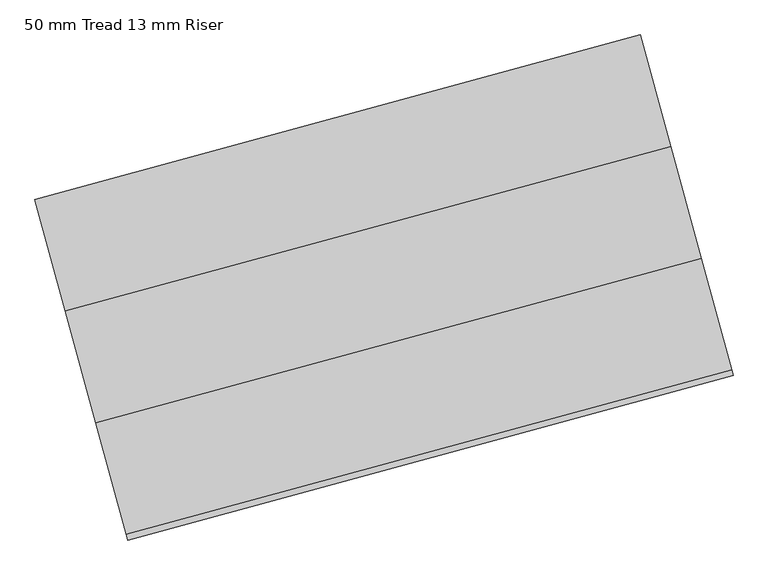
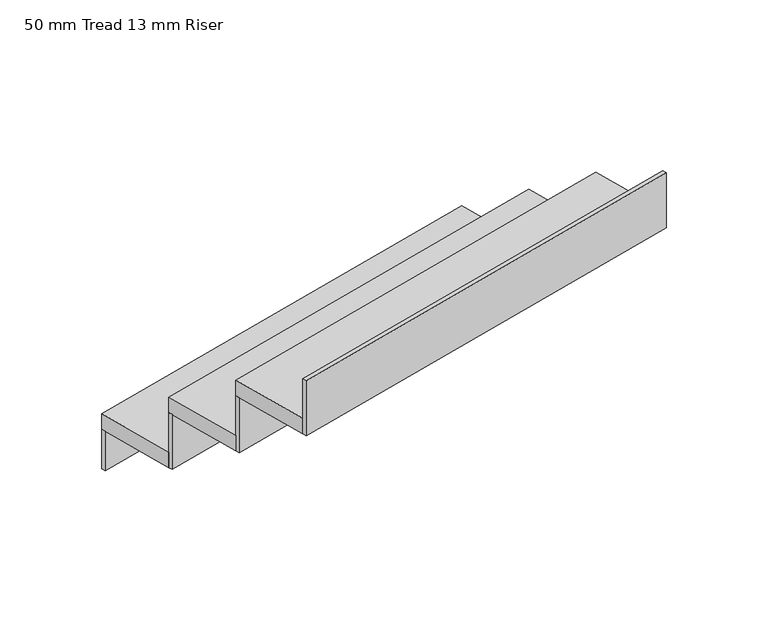
"""IFC4 building model written with IfcOpenShell, lengths in millimetres: stair flight geometry, 50 mm Tread 13 mm Riser."""

import ifcopenshell
import ifcopenshell.guid

model = None  # the IFC model being written
_history = None  # IfcOwnerHistory: only IFC2X3 demands one
_inside = {}  # id of a spatial element -> (the spatial element, [elements in it])
_under = {}  # id of a project, library or spatial element -> (it, [spatial elements below it])
_declared = {}  # id of a project -> (the project, [libraries it declares])
_typed = {}  # id of a type object -> (the type object, [elements of that type])
_made_of = {}  # id of a material, layer set ... -> (it, [elements and type objects made of it])


def new_model(schema):
    """Start an empty IFC model of exactly this schema.

    Asked for "IFC4X3", IfcOpenShell would pick the latest addendum, in which some entities
    have other attributes; the version numbers below select the first issue.
    IFC2X3 requires an IfcOwnerHistory on every rooted entity: one is made here for all.
    """
    global model, _history
    if schema == "IFC4X3":
        model = ifcopenshell.file(schema_version=(4, 3, 0, 0))
    else:
        model = ifcopenshell.file(schema=schema)
    _inside.clear()
    _under.clear()
    _declared.clear()
    _typed.clear()
    _made_of.clear()
    _history = None
    if model.schema == "IFC2X3":
        org = make("IfcOrganization", Name="unknown")
        user = make(
            "IfcPersonAndOrganization",
            ThePerson=make("IfcPerson", FamilyName="unknown"),
            TheOrganization=org,
        )
        app = make(
            "IfcApplication",
            ApplicationDeveloper=org,
            Version="unknown",
            ApplicationFullName="unknown",
            ApplicationIdentifier="unknown",
        )
        _history = make(
            "IfcOwnerHistory",
            OwningUser=user,
            OwningApplication=app,
            ChangeAction="ADDED",
            CreationDate=0,
        )
    return model


def make(cls, **values):
    """One entity of the class cls with the attributes given. An attribute that is None is left unset."""
    return model.create_entity(
        cls, **{name: value for name, value in values.items() if value is not None}
    )


def rooted(cls, **values):
    """An entity with a GlobalId (a new one), such as an element, a storey or a relation."""
    return make(cls, GlobalId=ifcopenshell.guid.new(), OwnerHistory=_history, **values)


def si_unit(unit_type, name, prefix=None):
    """IfcSIUnit, for example si_unit("LENGTHUNIT", "METRE", prefix="MILLI")."""
    return make("IfcSIUnit", UnitType=unit_type, Prefix=prefix, Name=name)


def assignment(units):
    """IfcUnitAssignment: the units of a project."""
    return None if units is None else make("IfcUnitAssignment", Units=units)


def point(xyz):
    """IfcCartesianPoint."""
    return None if xyz is None else make("IfcCartesianPoint", Coordinates=xyz)


def direction(xyz):
    """IfcDirection."""
    return None if xyz is None else make("IfcDirection", DirectionRatios=xyz)


def frame(location, z_axis=None, x_axis=None):
    """IfcAxis2Placement3D, a coordinate frame: its origin and axes. An axis left out is left unset."""
    return make(
        "IfcAxis2Placement3D",
        Location=point(location),
        Axis=direction(z_axis),
        RefDirection=direction(x_axis),
    )


def origin():
    """The frame at (0, 0, 0) with its axes left unset."""
    return frame((0.0, 0.0, 0.0))


def origin_with_axes():
    """The frame at (0, 0, 0) with the z axis (0, 0, 1) and the x axis (1, 0, 0) written out."""
    return frame((0.0, 0.0, 0.0), z_axis=(0.0, 0.0, 1.0), x_axis=(1.0, 0.0, 0.0))


def place(relative_to, where):
    """IfcLocalPlacement: puts the frame where relative to a parent placement (None: the world)."""
    return make(
        "IfcLocalPlacement", PlacementRelTo=relative_to, RelativePlacement=where
    )


def context(
    kind, dimensions, precision=None, world=None, true_north=None, identifier=None
):
    """IfcGeometricRepresentationContext, for example the 3D "Model" context."""
    return make(
        "IfcGeometricRepresentationContext",
        ContextIdentifier=identifier,
        ContextType=kind,
        CoordinateSpaceDimension=dimensions,
        Precision=precision,
        WorldCoordinateSystem=world,
        TrueNorth=true_north,
    )


def project(units=None, contexts=None):
    """IfcProject with its units and contexts."""
    return rooted(
        "IfcProject",
        Name="project",
        RepresentationContexts=contexts,
        UnitsInContext=assignment(units),
    )


def spatial(cls, under=None, at=None, **own):
    """A site, building, storey or space (cls), placed at a placement, below another one or the project."""
    s = rooted(cls, ObjectPlacement=at, **own)
    if under is not None:
        _under.setdefault(under.id(), (under, []))[1].append(s)
    return s


def polyline(points):
    """IfcPolyline through the points."""
    return make("IfcPolyline", Points=[point(p) for p in points])


def outline(outer, holes=None, kind="AREA"):
    """IfcArbitraryClosedProfileDef: a profile drawn as a closed curve; with holes, ...WithVoids."""
    if holes is None:
        return make("IfcArbitraryClosedProfileDef", ProfileType=kind, OuterCurve=outer)
    return make(
        "IfcArbitraryProfileDefWithVoids",
        ProfileType=kind,
        OuterCurve=outer,
        InnerCurves=holes,
    )


def extrude(swept, where, along, depth):
    """IfcExtrudedAreaSolid: the profile swept, set in the frame where, extruded along a direction by depth."""
    return make(
        "IfcExtrudedAreaSolid",
        SweptArea=swept,
        Position=where,
        ExtrudedDirection=direction(along),
        Depth=depth,
    )


def shape(context_of_items, identifier, shape_type, items):
    """IfcShapeRepresentation: the items that make up one representation, for example the "Body"."""
    return make(
        "IfcShapeRepresentation",
        ContextOfItems=context_of_items,
        RepresentationIdentifier=identifier,
        RepresentationType=shape_type,
        Items=items,
    )


def source(mapping_origin, context_of_items, identifier, shape_type, items):
    """IfcRepresentationMap: a shape defined once, which mapped items show again and again."""
    return make(
        "IfcRepresentationMap",
        MappingOrigin=mapping_origin,
        MappedRepresentation=shape(context_of_items, identifier, shape_type, items),
    )


def transform(
    local_origin,
    x_axis=None,
    y_axis=None,
    z_axis=None,
    scale=None,
    scale2=None,
    scale3=None,
    uniform=True,
):
    """IfcCartesianTransformationOperator3D, or its non-uniform kind. x_axis, y_axis, z_axis: its Axis1, 2, 3."""
    if uniform:
        return make(
            "IfcCartesianTransformationOperator3D",
            Axis1=direction(x_axis),
            Axis2=direction(y_axis),
            LocalOrigin=point(local_origin),
            Scale=scale,
            Axis3=direction(z_axis),
        )
    return make(
        "IfcCartesianTransformationOperator3DnonUniform",
        Axis1=direction(x_axis),
        Axis2=direction(y_axis),
        LocalOrigin=point(local_origin),
        Scale=scale,
        Axis3=direction(z_axis),
        Scale2=scale2,
        Scale3=scale3,
    )


def mapped(mapping_source, mapping_target):
    """IfcMappedItem: shows the shape of a source again, moved by a transform."""
    return make(
        "IfcMappedItem", MappingSource=mapping_source, MappingTarget=mapping_target
    )


def made_of(thing, what):
    """Note that an element or type object is made of a material, layer set ...; save() writes the relation."""
    if what is not None:
        _made_of.setdefault(what.id(), (what, []))[1].append(thing)
    return thing


def element(
    cls,
    number,
    at=None,
    inside=None,
    cuts=None,
    type_object=None,
    material=None,
    context=None,
    identifier="Body",
    shape_type=None,
    held_by="IfcProductDefinitionShape",
    body=None,
    shapes=None,
    **own,
):
    """One element of the class cls, such as IfcWall. Its Tag is "e" and its number.

    at: its placement. inside: the storey or other place that contains it. cuts: it is an
    opening in that element (IfcRelVoidsElement). A single representation is given by context,
    identifier, shape_type and body (its items); several are given by shapes. held_by: the class
    of the entity that holds the representations. save() writes the other relations.
    """
    e = rooted(cls, Tag="e%d" % number, ObjectPlacement=at, **own)
    if body is not None:
        shapes = [shape(context, identifier, shape_type, body)]
    if shapes is not None:
        e.Representation = make(held_by, Representations=shapes)
    if inside is not None:
        _inside.setdefault(inside.id(), (inside, []))[1].append(e)
    if cuts is not None:
        rooted(
            "IfcRelVoidsElement", RelatingBuildingElement=cuts, RelatedOpeningElement=e
        )
    if type_object is not None:
        _typed.setdefault(type_object.id(), (type_object, []))[1].append(e)
    return made_of(e, material)


def aggregate(whole, parts):
    """IfcRelAggregates: a whole, such as a stair, and the parts it consists of."""
    return rooted("IfcRelAggregates", RelatingObject=whole, RelatedObjects=parts)


def save(model, path):
    """Write the relations noted so far, then the file.

    IfcRelAggregates (storeys below a building ...), IfcRelContainedInSpatialStructure (elements
    in a storey), IfcRelDefinesByType, IfcRelAssociatesMaterial and IfcRelDeclares: one each for
    every whole, place, type object, material and project.
    """
    for whole, parts in _under.values():
        aggregate(whole, parts)
    for where, things in _inside.values():
        rooted(
            "IfcRelContainedInSpatialStructure",
            RelatedElements=things,
            RelatingStructure=where,
        )
    for kind, things in _typed.values():
        rooted("IfcRelDefinesByType", RelatedObjects=things, RelatingType=kind)
    for what, things in _made_of.values():
        rooted("IfcRelAssociatesMaterial", RelatedObjects=things, RelatingMaterial=what)
    for by, libraries in _declared.values():
        rooted("IfcRelDeclares", RelatingContext=by, RelatedDefinitions=libraries)
    model.write(path)


def stair_flight_50_mm_tread_13_mm_riser_5e79cee1(model_context):
    return source(origin(), model_context, "Body", "SweptSolid", [
        extrude(outline(polyline([(125716.2437354, 23119.9081876), (125712.9651249, 23131.9705552), (127019.4095154, 23487.0685236), (127022.6881258, 23475.0061559), (125716.2437354, 23119.9081876)])), origin_with_axes(), (0.0, 0.0, 1.0), 127.7777778),
        extrude(outline(polyline([(127084.9817246, 23245.8211705), (125778.5373341, 22890.7232021), (125712.9651249, 23131.9705552), (127019.4095154, 23487.0685236), (127084.9817246, 23245.8211705)])), frame((0.0, 0.0, 127.7777778), z_axis=(0.0, 0.0, 1.0), x_axis=(1.0, 0.0, 0.0)), (0.0, 0.0, 1.0), 50.0),
        extrude(outline(polyline([(125781.8159446, 22878.6608345), (125778.5373341, 22890.7232021), (127084.9817246, 23245.8211705), (127088.2603351, 23233.7588028), (125781.8159446, 22878.6608345)])), frame((0.0, 0.0, 127.7777778), z_axis=(0.0, 0.0, 1.0), x_axis=(1.0, 0.0, 0.0)), (0.0, 0.0, 1.0), 177.7777778),
        extrude(outline(polyline([(127150.5539339, 23004.5738174), (125844.1095434, 22649.475849), (125778.5373341, 22890.7232021), (127084.9817246, 23245.8211705), (127150.5539339, 23004.5738174)])), frame((0.0, 0.0, 305.5555556), z_axis=(0.0, 0.0, 1.0), x_axis=(1.0, 0.0, 0.0)), (0.0, 0.0, 1.0), 50.0),
        extrude(outline(polyline([(125847.3881539, 22637.4134814), (125844.1095434, 22649.475849), (127150.5539339, 23004.5738174), (127153.8325443, 22992.5114498), (125847.3881539, 22637.4134814)])), frame((0.0, 0.0, 305.5555556), z_axis=(0.0, 0.0, 1.0), x_axis=(1.0, 0.0, 0.0)), (0.0, 0.0, 1.0), 177.7777778),
        extrude(outline(polyline([(125912.9603631, 22396.1661283), (125909.6817527, 22408.2284959), (127216.1261431, 22763.3264643), (127219.4047536, 22751.2640967), (125912.9603631, 22396.1661283)])), frame((0.0, 0.0, 483.3333333), z_axis=(0.0, 0.0, 1.0), x_axis=(1.0, 0.0, 0.0)), (0.0, 0.0, 1.0), 177.7777778),
        extrude(outline(polyline([(127216.1261431, 22763.3264643), (125909.6817527, 22408.2284959), (125844.1095434, 22649.475849), (127150.5539339, 23004.5738174), (127216.1261431, 22763.3264643)])), frame((0.0, 0.0, 483.3333333), z_axis=(0.0, 0.0, 1.0), x_axis=(1.0, 0.0, 0.0)), (0.0, 0.0, 1.0), 50.0),
    ])


if __name__ == "__main__":
    model = new_model("IFC4")
    model_context = context("Model", 3, world=origin())
    ifc_project = project(units=[si_unit("LENGTHUNIT", "METRE", prefix="MILLI")], contexts=[model_context])
    site = spatial("IfcSite", under=ifc_project)
    building = spatial("IfcBuilding", under=site)
    placement = place(None, origin())
    stair_flight_50_mm_tread_13_mm_riser_shape = stair_flight_50_mm_tread_13_mm_riser_5e79cee1(model_context)
    element("IfcStairFlight", 1, ObjectType="50 mm Tread 13 mm Riser", at=placement, inside=building, context=model_context, shape_type="MappedRepresentation", body=[
        mapped(stair_flight_50_mm_tread_13_mm_riser_shape, transform((0.0, 0.0, 0.0), x_axis=(1.0, 0.0, 0.0), y_axis=(0.0, 1.0, 0.0), z_axis=(0.0, 0.0, 1.0))),
    ])
    save(model, "model.ifc")
